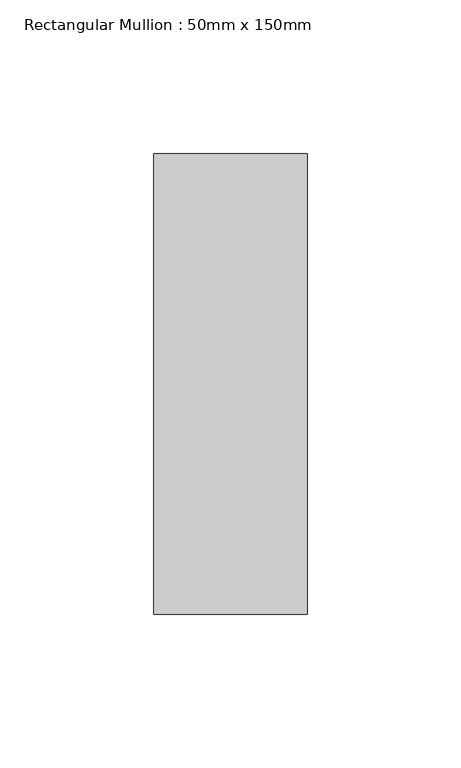
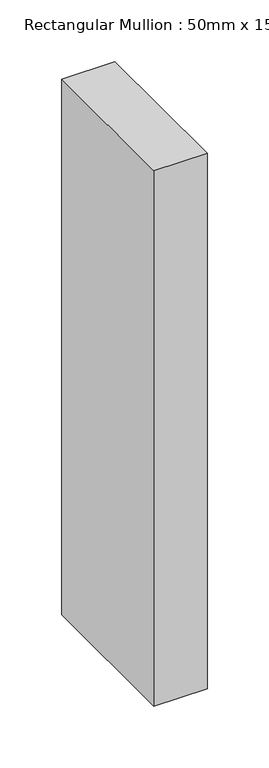
"""IFC4 building model written with IfcOpenShell, lengths in millimetres: member geometry, Rectangular Mullion : 50mm x 150mm."""

from ifc_helpers import new_model, si_unit, frame, origin, place, context, project, spatial, polyline, outline, extrude, source, transform, mapped, element, save


def rectangular_mullion_50mm_x_150mm_a8511bf7(model_context):
    return source(origin(), model_context, "Body", "SweptSolid", [
        extrude(outline(polyline([(25.0, 75.0), (25.0, -75.0), (-25.0, -75.0), (-25.0, 75.0), (25.0, 75.0)])), frame((0.0, 0.0, -530.7894738), z_axis=(0.0, 0.0, 1.0), x_axis=(1.0, 0.0, 0.0)), (0.0, 0.0, 1.0), 530.7894738),
    ])


if __name__ == "__main__":
    model = new_model("IFC4")
    model_context = context("Model", 3, world=origin())
    ifc_project = project(units=[si_unit("LENGTHUNIT", "METRE", prefix="MILLI")], contexts=[model_context])
    site = spatial("IfcSite", under=ifc_project)
    building = spatial("IfcBuilding", under=site)
    placement = place(None, origin())
    rectangular_mullion_50mm_x_150mm_shape = rectangular_mullion_50mm_x_150mm_a8511bf7(model_context)
    element("IfcMember", 1, ObjectType="Rectangular Mullion : 50mm x 150mm", at=placement, inside=building, context=model_context, shape_type="MappedRepresentation", body=[
        mapped(rectangular_mullion_50mm_x_150mm_shape, transform((0.0, 0.0, 0.0), x_axis=(1.0, 0.0, 0.0), y_axis=(0.0, 1.0, 0.0), z_axis=(0.0, 0.0, 1.0))),
    ])
    save(model, "model.ifc")
